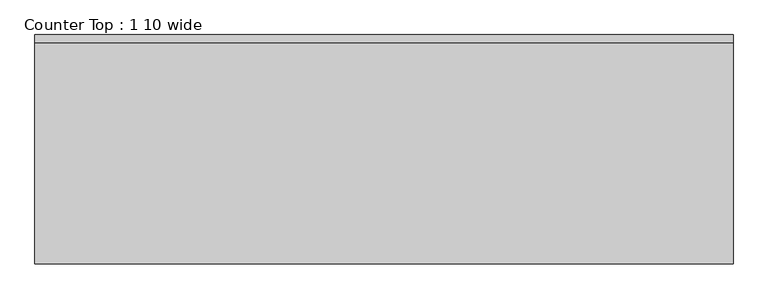
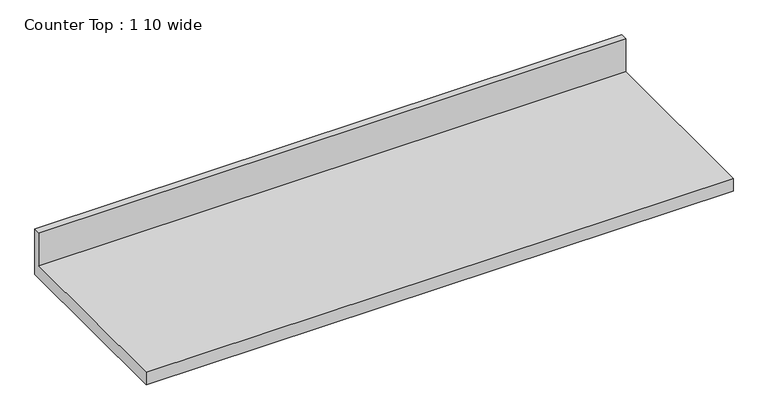
"""IFC4 building model written with IfcOpenShell, lengths in millimetres: furniture geometry, Counter Top : 1 10 wide."""

import ifcopenshell
import ifcopenshell.guid

model = None  # the IFC model being written
_history = None  # IfcOwnerHistory: only IFC2X3 demands one
_inside = {}  # id of a spatial element -> (the spatial element, [elements in it])
_under = {}  # id of a project, library or spatial element -> (it, [spatial elements below it])
_declared = {}  # id of a project -> (the project, [libraries it declares])
_typed = {}  # id of a type object -> (the type object, [elements of that type])
_made_of = {}  # id of a material, layer set ... -> (it, [elements and type objects made of it])


def new_model(schema):
    """Start an empty IFC model of exactly this schema.

    Asked for "IFC4X3", IfcOpenShell would pick the latest addendum, in which some entities
    have other attributes; the version numbers below select the first issue.
    IFC2X3 requires an IfcOwnerHistory on every rooted entity: one is made here for all.
    """
    global model, _history
    if schema == "IFC4X3":
        model = ifcopenshell.file(schema_version=(4, 3, 0, 0))
    else:
        model = ifcopenshell.file(schema=schema)
    _inside.clear()
    _under.clear()
    _declared.clear()
    _typed.clear()
    _made_of.clear()
    _history = None
    if model.schema == "IFC2X3":
        org = make("IfcOrganization", Name="unknown")
        user = make(
            "IfcPersonAndOrganization",
            ThePerson=make("IfcPerson", FamilyName="unknown"),
            TheOrganization=org,
        )
        app = make(
            "IfcApplication",
            ApplicationDeveloper=org,
            Version="unknown",
            ApplicationFullName="unknown",
            ApplicationIdentifier="unknown",
        )
        _history = make(
            "IfcOwnerHistory",
            OwningUser=user,
            OwningApplication=app,
            ChangeAction="ADDED",
            CreationDate=0,
        )
    return model


def make(cls, **values):
    """One entity of the class cls with the attributes given. An attribute that is None is left unset."""
    return model.create_entity(
        cls, **{name: value for name, value in values.items() if value is not None}
    )


def rooted(cls, **values):
    """An entity with a GlobalId (a new one), such as an element, a storey or a relation."""
    return make(cls, GlobalId=ifcopenshell.guid.new(), OwnerHistory=_history, **values)


def si_unit(unit_type, name, prefix=None):
    """IfcSIUnit, for example si_unit("LENGTHUNIT", "METRE", prefix="MILLI")."""
    return make("IfcSIUnit", UnitType=unit_type, Prefix=prefix, Name=name)


def assignment(units):
    """IfcUnitAssignment: the units of a project."""
    return None if units is None else make("IfcUnitAssignment", Units=units)


def point(xyz):
    """IfcCartesianPoint."""
    return None if xyz is None else make("IfcCartesianPoint", Coordinates=xyz)


def direction(xyz):
    """IfcDirection."""
    return None if xyz is None else make("IfcDirection", DirectionRatios=xyz)


def frame(location, z_axis=None, x_axis=None):
    """IfcAxis2Placement3D, a coordinate frame: its origin and axes. An axis left out is left unset."""
    return make(
        "IfcAxis2Placement3D",
        Location=point(location),
        Axis=direction(z_axis),
        RefDirection=direction(x_axis),
    )


def origin():
    """The frame at (0, 0, 0) with its axes left unset."""
    return frame((0.0, 0.0, 0.0))


def place(relative_to, where):
    """IfcLocalPlacement: puts the frame where relative to a parent placement (None: the world)."""
    return make(
        "IfcLocalPlacement", PlacementRelTo=relative_to, RelativePlacement=where
    )


def context(
    kind, dimensions, precision=None, world=None, true_north=None, identifier=None
):
    """IfcGeometricRepresentationContext, for example the 3D "Model" context."""
    return make(
        "IfcGeometricRepresentationContext",
        ContextIdentifier=identifier,
        ContextType=kind,
        CoordinateSpaceDimension=dimensions,
        Precision=precision,
        WorldCoordinateSystem=world,
        TrueNorth=true_north,
    )


def project(units=None, contexts=None):
    """IfcProject with its units and contexts."""
    return rooted(
        "IfcProject",
        Name="project",
        RepresentationContexts=contexts,
        UnitsInContext=assignment(units),
    )


def spatial(cls, under=None, at=None, **own):
    """A site, building, storey or space (cls), placed at a placement, below another one or the project."""
    s = rooted(cls, ObjectPlacement=at, **own)
    if under is not None:
        _under.setdefault(under.id(), (under, []))[1].append(s)
    return s


def polyline(points):
    """IfcPolyline through the points."""
    return make("IfcPolyline", Points=[point(p) for p in points])


def outline(outer, holes=None, kind="AREA"):
    """IfcArbitraryClosedProfileDef: a profile drawn as a closed curve; with holes, ...WithVoids."""
    if holes is None:
        return make("IfcArbitraryClosedProfileDef", ProfileType=kind, OuterCurve=outer)
    return make(
        "IfcArbitraryProfileDefWithVoids",
        ProfileType=kind,
        OuterCurve=outer,
        InnerCurves=holes,
    )


def extrude(swept, where, along, depth):
    """IfcExtrudedAreaSolid: the profile swept, set in the frame where, extruded along a direction by depth."""
    return make(
        "IfcExtrudedAreaSolid",
        SweptArea=swept,
        Position=where,
        ExtrudedDirection=direction(along),
        Depth=depth,
    )


def shape(context_of_items, identifier, shape_type, items):
    """IfcShapeRepresentation: the items that make up one representation, for example the "Body"."""
    return make(
        "IfcShapeRepresentation",
        ContextOfItems=context_of_items,
        RepresentationIdentifier=identifier,
        RepresentationType=shape_type,
        Items=items,
    )


def source(mapping_origin, context_of_items, identifier, shape_type, items):
    """IfcRepresentationMap: a shape defined once, which mapped items show again and again."""
    return make(
        "IfcRepresentationMap",
        MappingOrigin=mapping_origin,
        MappedRepresentation=shape(context_of_items, identifier, shape_type, items),
    )


def transform(
    local_origin,
    x_axis=None,
    y_axis=None,
    z_axis=None,
    scale=None,
    scale2=None,
    scale3=None,
    uniform=True,
):
    """IfcCartesianTransformationOperator3D, or its non-uniform kind. x_axis, y_axis, z_axis: its Axis1, 2, 3."""
    if uniform:
        return make(
            "IfcCartesianTransformationOperator3D",
            Axis1=direction(x_axis),
            Axis2=direction(y_axis),
            LocalOrigin=point(local_origin),
            Scale=scale,
            Axis3=direction(z_axis),
        )
    return make(
        "IfcCartesianTransformationOperator3DnonUniform",
        Axis1=direction(x_axis),
        Axis2=direction(y_axis),
        LocalOrigin=point(local_origin),
        Scale=scale,
        Axis3=direction(z_axis),
        Scale2=scale2,
        Scale3=scale3,
    )


def mapped(mapping_source, mapping_target):
    """IfcMappedItem: shows the shape of a source again, moved by a transform."""
    return make(
        "IfcMappedItem", MappingSource=mapping_source, MappingTarget=mapping_target
    )


def made_of(thing, what):
    """Note that an element or type object is made of a material, layer set ...; save() writes the relation."""
    if what is not None:
        _made_of.setdefault(what.id(), (what, []))[1].append(thing)
    return thing


def element(
    cls,
    number,
    at=None,
    inside=None,
    cuts=None,
    type_object=None,
    material=None,
    context=None,
    identifier="Body",
    shape_type=None,
    held_by="IfcProductDefinitionShape",
    body=None,
    shapes=None,
    **own,
):
    """One element of the class cls, such as IfcWall. Its Tag is "e" and its number.

    at: its placement. inside: the storey or other place that contains it. cuts: it is an
    opening in that element (IfcRelVoidsElement). A single representation is given by context,
    identifier, shape_type and body (its items); several are given by shapes. held_by: the class
    of the entity that holds the representations. save() writes the other relations.
    """
    e = rooted(cls, Tag="e%d" % number, ObjectPlacement=at, **own)
    if body is not None:
        shapes = [shape(context, identifier, shape_type, body)]
    if shapes is not None:
        e.Representation = make(held_by, Representations=shapes)
    if inside is not None:
        _inside.setdefault(inside.id(), (inside, []))[1].append(e)
    if cuts is not None:
        rooted(
            "IfcRelVoidsElement", RelatingBuildingElement=cuts, RelatedOpeningElement=e
        )
    if type_object is not None:
        _typed.setdefault(type_object.id(), (type_object, []))[1].append(e)
    return made_of(e, material)


def aggregate(whole, parts):
    """IfcRelAggregates: a whole, such as a stair, and the parts it consists of."""
    return rooted("IfcRelAggregates", RelatingObject=whole, RelatedObjects=parts)


def save(model, path):
    """Write the relations noted so far, then the file.

    IfcRelAggregates (storeys below a building ...), IfcRelContainedInSpatialStructure (elements
    in a storey), IfcRelDefinesByType, IfcRelAssociatesMaterial and IfcRelDeclares: one each for
    every whole, place, type object, material and project.
    """
    for whole, parts in _under.values():
        aggregate(whole, parts)
    for where, things in _inside.values():
        rooted(
            "IfcRelContainedInSpatialStructure",
            RelatedElements=things,
            RelatingStructure=where,
        )
    for kind, things in _typed.values():
        rooted("IfcRelDefinesByType", RelatedObjects=things, RelatingType=kind)
    for what, things in _made_of.values():
        rooted("IfcRelAssociatesMaterial", RelatedObjects=things, RelatingMaterial=what)
    for by, libraries in _declared.values():
        rooted("IfcRelDeclares", RelatingContext=by, RelatedDefinitions=libraries)
    model.write(path)


def counter_top_1_10_wide_fe1dddd4(model_context):
    return source(origin(), model_context, "Body", "SweptSolid", [
        extrude(outline(polyline([(0.0, 1016.0), (0.0, 876.3), (-558.8, 876.3), (-558.8, 914.4), (-19.05, 914.4), (-19.05, 1016.0), (0.0, 1016.0)])), frame((-1200.4622951, 0.0, 0.0), z_axis=(1.0, 0.0, 0.0), x_axis=(0.0, 1.0, 0.0)), (0.0, 0.0, 1.0), 1701.8),
    ])


if __name__ == "__main__":
    model = new_model("IFC4")
    model_context = context("Model", 3, world=origin())
    ifc_project = project(units=[si_unit("LENGTHUNIT", "METRE", prefix="MILLI")], contexts=[model_context])
    site = spatial("IfcSite", under=ifc_project)
    building = spatial("IfcBuilding", under=site)
    placement = place(None, origin())
    counter_top_1_10_wide_shape = counter_top_1_10_wide_fe1dddd4(model_context)
    element("IfcFurniture", 1, ObjectType="Counter Top : 1 10 wide", at=placement, inside=building, context=model_context, shape_type="MappedRepresentation", body=[
        mapped(counter_top_1_10_wide_shape, transform((0.0, 0.0, 0.0), x_axis=(1.0, 0.0, 0.0), y_axis=(0.0, 1.0, 0.0), z_axis=(0.0, 0.0, 1.0))),
    ])
    save(model, "model.ifc")
